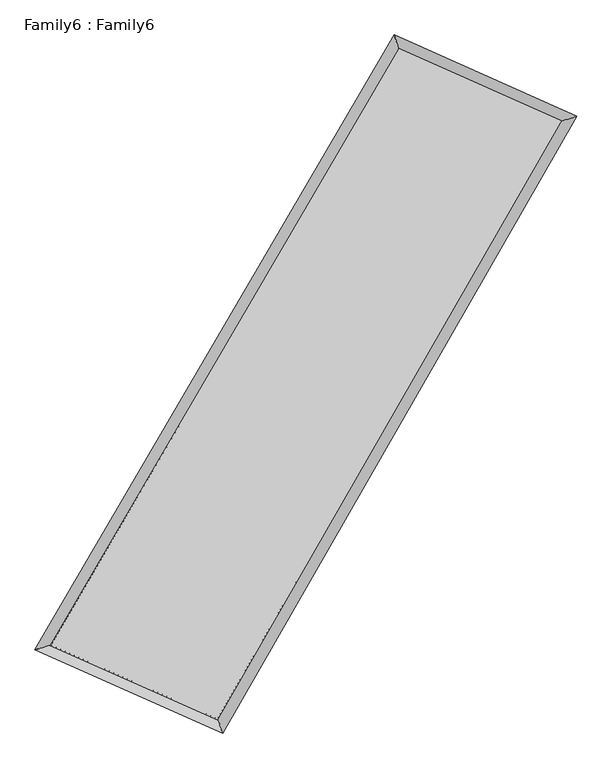
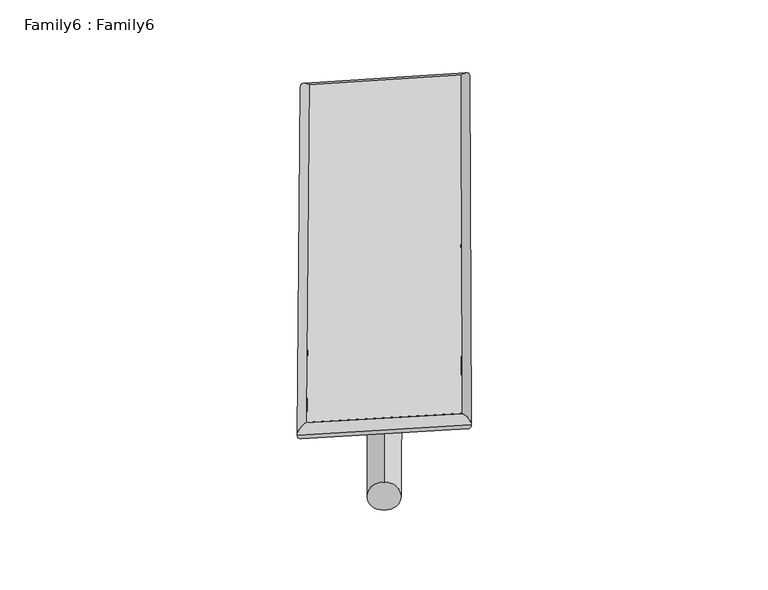
"""IFC4 building model written with IfcOpenShell, lengths in millimetres: plate geometry, Family6 : Family6."""

import ifcopenshell
import ifcopenshell.guid

model = None  # the IFC model being written
_history = None  # IfcOwnerHistory: only IFC2X3 demands one
_inside = {}  # id of a spatial element -> (the spatial element, [elements in it])
_under = {}  # id of a project, library or spatial element -> (it, [spatial elements below it])
_declared = {}  # id of a project -> (the project, [libraries it declares])
_typed = {}  # id of a type object -> (the type object, [elements of that type])
_made_of = {}  # id of a material, layer set ... -> (it, [elements and type objects made of it])


def new_model(schema):
    """Start an empty IFC model of exactly this schema.

    Asked for "IFC4X3", IfcOpenShell would pick the latest addendum, in which some entities
    have other attributes; the version numbers below select the first issue.
    IFC2X3 requires an IfcOwnerHistory on every rooted entity: one is made here for all.
    """
    global model, _history
    if schema == "IFC4X3":
        model = ifcopenshell.file(schema_version=(4, 3, 0, 0))
    else:
        model = ifcopenshell.file(schema=schema)
    _inside.clear()
    _under.clear()
    _declared.clear()
    _typed.clear()
    _made_of.clear()
    _history = None
    if model.schema == "IFC2X3":
        org = make("IfcOrganization", Name="unknown")
        user = make(
            "IfcPersonAndOrganization",
            ThePerson=make("IfcPerson", FamilyName="unknown"),
            TheOrganization=org,
        )
        app = make(
            "IfcApplication",
            ApplicationDeveloper=org,
            Version="unknown",
            ApplicationFullName="unknown",
            ApplicationIdentifier="unknown",
        )
        _history = make(
            "IfcOwnerHistory",
            OwningUser=user,
            OwningApplication=app,
            ChangeAction="ADDED",
            CreationDate=0,
        )
    return model


def make(cls, **values):
    """One entity of the class cls with the attributes given. An attribute that is None is left unset."""
    return model.create_entity(
        cls, **{name: value for name, value in values.items() if value is not None}
    )


def rooted(cls, **values):
    """An entity with a GlobalId (a new one), such as an element, a storey or a relation."""
    return make(cls, GlobalId=ifcopenshell.guid.new(), OwnerHistory=_history, **values)


def si_unit(unit_type, name, prefix=None):
    """IfcSIUnit, for example si_unit("LENGTHUNIT", "METRE", prefix="MILLI")."""
    return make("IfcSIUnit", UnitType=unit_type, Prefix=prefix, Name=name)


def assignment(units):
    """IfcUnitAssignment: the units of a project."""
    return None if units is None else make("IfcUnitAssignment", Units=units)


def point(xyz):
    """IfcCartesianPoint."""
    return None if xyz is None else make("IfcCartesianPoint", Coordinates=xyz)


def direction(xyz):
    """IfcDirection."""
    return None if xyz is None else make("IfcDirection", DirectionRatios=xyz)


def frame(location, z_axis=None, x_axis=None):
    """IfcAxis2Placement3D, a coordinate frame: its origin and axes. An axis left out is left unset."""
    return make(
        "IfcAxis2Placement3D",
        Location=point(location),
        Axis=direction(z_axis),
        RefDirection=direction(x_axis),
    )


def frame_2d(location, x_axis=None):
    """IfcAxis2Placement2D, a coordinate frame in the plane: its origin and x axis."""
    return make(
        "IfcAxis2Placement2D", Location=point(location), RefDirection=direction(x_axis)
    )


def origin():
    """The frame at (0, 0, 0) with its axes left unset."""
    return frame((0.0, 0.0, 0.0))


def origin_2d():
    """The frame at (0, 0) in the plane with its x axis left unset."""
    return frame_2d((0.0, 0.0))


def place(relative_to, where):
    """IfcLocalPlacement: puts the frame where relative to a parent placement (None: the world)."""
    return make(
        "IfcLocalPlacement", PlacementRelTo=relative_to, RelativePlacement=where
    )


def context(
    kind, dimensions, precision=None, world=None, true_north=None, identifier=None
):
    """IfcGeometricRepresentationContext, for example the 3D "Model" context."""
    return make(
        "IfcGeometricRepresentationContext",
        ContextIdentifier=identifier,
        ContextType=kind,
        CoordinateSpaceDimension=dimensions,
        Precision=precision,
        WorldCoordinateSystem=world,
        TrueNorth=true_north,
    )


def project(units=None, contexts=None):
    """IfcProject with its units and contexts."""
    return rooted(
        "IfcProject",
        Name="project",
        RepresentationContexts=contexts,
        UnitsInContext=assignment(units),
    )


def spatial(cls, under=None, at=None, **own):
    """A site, building, storey or space (cls), placed at a placement, below another one or the project."""
    s = rooted(cls, ObjectPlacement=at, **own)
    if under is not None:
        _under.setdefault(under.id(), (under, []))[1].append(s)
    return s


def circle_curve(where, radius):
    """IfcCircle in the frame where."""
    return make("IfcCircle", Position=where, Radius=radius)


def ellipse_curve(where, semi_axis1, semi_axis2):
    """IfcEllipse in the frame where."""
    return make(
        "IfcEllipse", Position=where, SemiAxis1=semi_axis1, SemiAxis2=semi_axis2
    )


def trimmed(basis, trim1, trim2, sense, master):
    """IfcTrimmedCurve: the piece of a basis curve between two trims."""
    return make(
        "IfcTrimmedCurve",
        BasisCurve=basis,
        Trim1=trim1,
        Trim2=trim2,
        SenseAgreement=sense,
        MasterRepresentation=master,
    )


def segment(curve, same_sense, transition):
    """IfcCompositeCurveSegment."""
    return make(
        "IfcCompositeCurveSegment",
        Transition=transition,
        SameSense=same_sense,
        ParentCurve=curve,
    )


def composite_curve(segments, self_intersect=None):
    """IfcCompositeCurve: segments joined end to end."""
    return make("IfcCompositeCurve", Segments=segments, SelfIntersect=self_intersect)


def outline(outer, holes=None, kind="AREA"):
    """IfcArbitraryClosedProfileDef: a profile drawn as a closed curve; with holes, ...WithVoids."""
    if holes is None:
        return make("IfcArbitraryClosedProfileDef", ProfileType=kind, OuterCurve=outer)
    return make(
        "IfcArbitraryProfileDefWithVoids",
        ProfileType=kind,
        OuterCurve=outer,
        InnerCurves=holes,
    )


def extrude(swept, where, along, depth):
    """IfcExtrudedAreaSolid: the profile swept, set in the frame where, extruded along a direction by depth."""
    return make(
        "IfcExtrudedAreaSolid",
        SweptArea=swept,
        Position=where,
        ExtrudedDirection=direction(along),
        Depth=depth,
    )


def shape(context_of_items, identifier, shape_type, items):
    """IfcShapeRepresentation: the items that make up one representation, for example the "Body"."""
    return make(
        "IfcShapeRepresentation",
        ContextOfItems=context_of_items,
        RepresentationIdentifier=identifier,
        RepresentationType=shape_type,
        Items=items,
    )


def source(mapping_origin, context_of_items, identifier, shape_type, items):
    """IfcRepresentationMap: a shape defined once, which mapped items show again and again."""
    return make(
        "IfcRepresentationMap",
        MappingOrigin=mapping_origin,
        MappedRepresentation=shape(context_of_items, identifier, shape_type, items),
    )


def transform(
    local_origin,
    x_axis=None,
    y_axis=None,
    z_axis=None,
    scale=None,
    scale2=None,
    scale3=None,
    uniform=True,
):
    """IfcCartesianTransformationOperator3D, or its non-uniform kind. x_axis, y_axis, z_axis: its Axis1, 2, 3."""
    if uniform:
        return make(
            "IfcCartesianTransformationOperator3D",
            Axis1=direction(x_axis),
            Axis2=direction(y_axis),
            LocalOrigin=point(local_origin),
            Scale=scale,
            Axis3=direction(z_axis),
        )
    return make(
        "IfcCartesianTransformationOperator3DnonUniform",
        Axis1=direction(x_axis),
        Axis2=direction(y_axis),
        LocalOrigin=point(local_origin),
        Scale=scale,
        Axis3=direction(z_axis),
        Scale2=scale2,
        Scale3=scale3,
    )


def mapped(mapping_source, mapping_target):
    """IfcMappedItem: shows the shape of a source again, moved by a transform."""
    return make(
        "IfcMappedItem", MappingSource=mapping_source, MappingTarget=mapping_target
    )


def made_of(thing, what):
    """Note that an element or type object is made of a material, layer set ...; save() writes the relation."""
    if what is not None:
        _made_of.setdefault(what.id(), (what, []))[1].append(thing)
    return thing


def element(
    cls,
    number,
    at=None,
    inside=None,
    cuts=None,
    type_object=None,
    material=None,
    context=None,
    identifier="Body",
    shape_type=None,
    held_by="IfcProductDefinitionShape",
    body=None,
    shapes=None,
    **own,
):
    """One element of the class cls, such as IfcWall. Its Tag is "e" and its number.

    at: its placement. inside: the storey or other place that contains it. cuts: it is an
    opening in that element (IfcRelVoidsElement). A single representation is given by context,
    identifier, shape_type and body (its items); several are given by shapes. held_by: the class
    of the entity that holds the representations. save() writes the other relations.
    """
    e = rooted(cls, Tag="e%d" % number, ObjectPlacement=at, **own)
    if body is not None:
        shapes = [shape(context, identifier, shape_type, body)]
    if shapes is not None:
        e.Representation = make(held_by, Representations=shapes)
    if inside is not None:
        _inside.setdefault(inside.id(), (inside, []))[1].append(e)
    if cuts is not None:
        rooted(
            "IfcRelVoidsElement", RelatingBuildingElement=cuts, RelatedOpeningElement=e
        )
    if type_object is not None:
        _typed.setdefault(type_object.id(), (type_object, []))[1].append(e)
    return made_of(e, material)


def aggregate(whole, parts):
    """IfcRelAggregates: a whole, such as a stair, and the parts it consists of."""
    return rooted("IfcRelAggregates", RelatingObject=whole, RelatedObjects=parts)


def save(model, path):
    """Write the relations noted so far, then the file.

    IfcRelAggregates (storeys below a building ...), IfcRelContainedInSpatialStructure (elements
    in a storey), IfcRelDefinesByType, IfcRelAssociatesMaterial and IfcRelDeclares: one each for
    every whole, place, type object, material and project.
    """
    for whole, parts in _under.values():
        aggregate(whole, parts)
    for where, things in _inside.values():
        rooted(
            "IfcRelContainedInSpatialStructure",
            RelatedElements=things,
            RelatingStructure=where,
        )
    for kind, things in _typed.values():
        rooted("IfcRelDefinesByType", RelatedObjects=things, RelatingType=kind)
    for what, things in _made_of.values():
        rooted("IfcRelAssociatesMaterial", RelatedObjects=things, RelatingMaterial=what)
    for by, libraries in _declared.values():
        rooted("IfcRelDeclares", RelatingContext=by, RelatedDefinitions=libraries)
    model.write(path)


def plane_surface(at):
    """IfcPlane: the flat surface through the origin of the frame at, square to its z axis."""
    return make("IfcPlane", Position=at)


def cylinder_surface(at, radius):
    """IfcCylindricalSurface: all points at the distance radius from the z axis of the frame at."""
    return make("IfcCylindricalSurface", Position=at, Radius=radius)


def spline_surface(u_degree, v_degree, points, u_multiplicities, v_multiplicities, u_knots, v_knots, weights=None):
    """IfcBSplineSurfaceWithKnots; with weights, IfcRationalBSplineSurfaceWithKnots. points: one row for each step in u."""
    own = dict(
        UDegree=u_degree,
        VDegree=v_degree,
        ControlPointsList=[[point(p) for p in row] for row in points],
        SurfaceForm="UNSPECIFIED",
        UClosed=False,
        VClosed=False,
        SelfIntersect=False,
        UMultiplicities=u_multiplicities,
        VMultiplicities=v_multiplicities,
        UKnots=u_knots,
        VKnots=v_knots,
        KnotSpec="UNSPECIFIED",
    )
    if weights is None:
        return make("IfcBSplineSurfaceWithKnots", **own)
    return make("IfcRationalBSplineSurfaceWithKnots", WeightsData=weights, **own)


def advanced_brep(points, edges, surfaces, faces):
    """IfcAdvancedBrep: a solid bounded by faces that lie on surfaces and meet in shared edges.

    An edge is (start, end): straight between two places in points (the first is 0);
    or (start, end, curve); or (start, end, curve, False) where it runs against its curve.
    A face is (place in surfaces, loops), or (place, loops, False) where it looks against
    its surface's normal. A loop lists edges by number (the first is 1), with a minus sign
    where the edge is run from its end to its start. The first loop is the outer one.
    """
    corners = [point(p) for p in points]
    vertices = [make("IfcVertexPoint", VertexGeometry=c) for c in corners]
    made = []
    for start, end, *more in edges:
        made.append(
            make(
                "IfcEdgeCurve",
                EdgeStart=vertices[start],
                EdgeEnd=vertices[end],
                EdgeGeometry=more[0] if more else make("IfcPolyline", Points=[corners[start], corners[end]]),
                SameSense=more[1] if len(more) > 1 else True,
            )
        )
    hull = []
    for where, loops, *sense in faces:
        bounds = []
        for j, loop in enumerate(loops):
            ring = [make("IfcOrientedEdge", EdgeElement=made[abs(k) - 1], Orientation=k > 0) for k in loop]
            bounds.append(
                make(
                    "IfcFaceOuterBound" if j == 0 else "IfcFaceBound",
                    Bound=make("IfcEdgeLoop", EdgeList=ring),
                    Orientation=True,
                )
            )
        hull.append(make("IfcAdvancedFace", Bounds=bounds, FaceSurface=surfaces[where], SameSense=sense[0] if sense else True))
    return make("IfcAdvancedBrep", Outer=make("IfcClosedShell", CfsFaces=hull))


def family6_family6_53d501c7(model_context):
    return source(origin(), model_context, "Body", "SolidModel", [
        extrude(outline(composite_curve([segment(trimmed(circle_curve(origin_2d(), 76.2), [point((-75.4341514, -10.7763074))], [point((75.4341514, 10.7763074))], False, "CARTESIAN"), True, "CONTINUOUS"), segment(trimmed(circle_curve(origin_2d(), 76.2), [point((75.4341514, 10.7763074))], [point((-75.4341514, -10.7763074))], False, "CARTESIAN"), True, "CONTINUOUS")], self_intersect=False)), frame((9144.0, 9144.0, 0.0), z_axis=(0.6721745304027889, 0.6911333617868196, 0.26554863378115773), x_axis=(-0.6822901218442167, 0.7174886402277936, -0.14032191838011607)), (0.0, 0.0, 1.0), 5756.3819207),
        extrude(outline(composite_curve([segment(trimmed(circle_curve(origin_2d(), 76.2), [point((-53.8815367, 53.8815368))], [point((53.8815367, -53.8815368))], False, "CARTESIAN"), True, "CONTINUOUS"), segment(trimmed(circle_curve(origin_2d(), 76.2), [point((53.8815367, -53.8815368))], [point((-53.8815367, 53.8815368))], False, "CARTESIAN"), True, "CONTINUOUS")], self_intersect=False)), frame((9144.0, 9144.0, 0.0), z_axis=(-0.6767790635168891, -0.6869007826403136, 0.26483469182364955), x_axis=(0.6359540630438353, -0.3642773302610338, 0.6803414263117684)), (0.0, 0.0, 1.0), 5772.1792279),
        extrude(outline(composite_curve([segment(trimmed(circle_curve(origin_2d(), 76.2), [point((-53.8815367, -53.8815367))], [point((53.8815367, 53.8815367))], False, "CARTESIAN"), True, "CONTINUOUS"), segment(trimmed(circle_curve(origin_2d(), 76.2), [point((53.8815367, 53.8815367))], [point((-53.8815367, -53.8815367))], False, "CARTESIAN"), True, "CONTINUOUS")], self_intersect=False)), frame((9144.0, 9144.0, 0.0), z_axis=(0.2519477878086819, 0.9273467965203779, 0.2766771244640665), x_axis=(-0.8445281700648413, 0.35029513272563306, -0.4050499845150741)), (0.0, 0.0, 1.0), 5483.5441346),
        extrude(outline(composite_curve([segment(trimmed(circle_curve(origin_2d(), 76.2), [point((-75.4341514, 10.7763074))], [point((75.4341514, -10.7763074))], False, "CARTESIAN"), True, "CONTINUOUS"), segment(trimmed(circle_curve(origin_2d(), 76.2), [point((75.4341514, -10.7763074))], [point((-75.4341514, 10.7763074))], False, "CARTESIAN"), True, "CONTINUOUS")], self_intersect=False)), frame((9144.0, 9144.0, 0.0), z_axis=(-0.24517783294284057, -0.9292209332907813, 0.2764711329735208), x_axis=(0.8866470244366496, -0.09958060675303143, 0.4515980035566295)), (0.0, 0.0, 1.0), 5488.7321021),
        advanced_brep(
        [(5019.9587319, 5108.8392131, 1527.8645252), (5019.9544584, 5108.8336049, 1529.7143093), (5455.0611635, 5249.3319286, 1529.4820887), (10588.301893, 14034.4387366, 1518.3167463), (10462.8317351, 14423.855437, 1516.0256997), (5455.065437, 5249.3375367, 1527.6323047), (12796.9989437, 13051.8515866, 1528.4630708), (13229.587685, 13193.0035905, 1528.7356383), (7734.5278962, 4238.7281403, 1517.665055), (7862.041219, 3848.7823267, 1517.2869107)],
        [
            (0, 1, ellipse_curve(frame((5237.5099477, 5179.0855708, 1528.673307), z_axis=(-0.3072809411500043, 0.9516163574490253, 0.0021751876738648986), x_axis=(-0.9516107677479645, -0.307286947613603, 0.0034173867859064073)), 228.6195478, 152.4)),
            (1, 2, ellipse_curve(frame((5237.5099477, 5179.0855708, 1528.673307), z_axis=(-0.3072809411500043, 0.9516163574490253, 0.0021751876738648986), x_axis=(-0.9516107677479645, -0.307286947613603, 0.0034173867859064073)), 228.6195478, 152.4)),
            (2, 3),
            (3, 4, ellipse_curve(frame((10525.5668141, 14229.1470868, 1517.171223), z_axis=(-0.9518087160453981, -0.30668524531335206, -0.0020804728068270603), x_axis=(0.3066756358614651, -0.9518058133016737, 0.0039683918790444596)), 204.5688962, 152.4)),
            (4, 0),
            (2, 5, ellipse_curve(frame((5237.5099477, 5179.0855708, 1528.673307), z_axis=(-0.3072809411500043, 0.9516163574490253, 0.0021751876738648986), x_axis=(-0.9516107677479645, -0.307286947613603, 0.0034173867859064073)), 228.6195478, 152.4)),
            (5, 0, ellipse_curve(frame((5237.5099477, 5179.0855708, 1528.673307), z_axis=(-0.3072809411500043, 0.9516163574490253, 0.0021751876738648986), x_axis=(-0.9516107677479645, -0.307286947613603, 0.0034173867859064073)), 228.6195478, 152.4)),
            (4, 3, ellipse_curve(frame((10525.5668141, 14229.1470868, 1517.171223), z_axis=(-0.9518087160453981, -0.30668524531335206, -0.0020804728068270603), x_axis=(0.3066756358614651, -0.9518058133016737, 0.0039683918790444596)), 204.5688962, 152.4)),
            (3, 6),
            (6, 7, ellipse_curve(frame((13013.2933143, 13122.4275886, 1528.5993546), z_axis=(-0.31019809897335215, 0.9506690612644075, -0.002339946146516477), x_axis=(-0.9506631304171115, -0.31020488134185925, -0.0035417590574413813)), 227.5187821, 152.4)),
            (7, 4),
            (7, 6, ellipse_curve(frame((13013.2933143, 13122.4275886, 1528.5993546), z_axis=(-0.31019809897335215, 0.9506690612644075, -0.002339946146516477), x_axis=(-0.9506631304171115, -0.31020488134185925, -0.0035417590574413813)), 227.5187821, 152.4)),
            (6, 8),
            (8, 9, ellipse_curve(frame((7798.2845576, 4043.7552335, 1517.4759828), z_axis=(0.9504705583429112, 0.3108083270549253, -0.0019752358424821857), x_axis=(-0.3107996177621631, 0.9504679441776087, 0.003779509185546641)), 205.1332761, 152.4)),
            (9, 7),
            (9, 8, ellipse_curve(frame((7798.2845576, 4043.7552335, 1517.4759828), z_axis=(0.9504705583429112, 0.3108083270549253, -0.0019752358424821857), x_axis=(-0.3107996177621631, 0.9504679441776087, 0.003779509185546641)), 205.1332761, 152.4)),
            (8, 5),
            (1, 9),
        ],
        [
            cylinder_surface(frame((5237.5099477, 5179.0855708, 1528.673307), z_axis=(-0.5045008570423359, -0.8634104939611829, 0.0010973428154843318), x_axis=(-0.8633962002352574, 0.5044842007862893, -0.006533955642505136)), 152.4),
            cylinder_surface(frame((10525.5668141, 14229.1470868, 1517.171223), z_axis=(-0.913658511546021, 0.4064609551336731, -0.004197169442785761), x_axis=(0.40647607706179656, 0.9136536949442905, -0.0037582563906251388)), 152.4),
            cylinder_surface(frame((13013.2933143, 13122.4275886, 1528.5993546), z_axis=(0.4980955426657209, 0.8671215033959113, 0.00106241468160349), x_axis=(0.8671221079226942, -0.4980955426657209, -0.0002834223784616299)), 152.4),
            cylinder_surface(frame((7798.2845576, 4043.7552335, 1517.4759828), z_axis=(0.914173747006091, -0.4053028269297848, -0.003997345064991756), x_axis=(-0.405296308129405, -0.91418232803288, 0.002360874638378479)), 152.4),
        ],
        [
            (0, [[1, 2, 3, 4, 5]]),
            (0, [[6, 7, -5, 8, -3]]),
            (1, [[-4, 9, 10, 11]]),
            (1, [[-8, -11, 12, -9]]),
            (2, [[-10, 13, 14, 15]]),
            (2, [[-12, -15, 16, -13]]),
            (3, [[-14, 17, -6, -2, 18]]),
            (3, [[-16, -18, -1, -7, -17]]),
        ],
    ),
        extrude(outline(composite_curve([segment(trimmed(circle_curve(origin_2d(), 304.8), [point((1e-07, -304.8))], [point((1e-07, 304.8))], False, "CARTESIAN"), True, "CONTINUOUS"), segment(trimmed(circle_curve(origin_2d(), 304.8), [point((1e-07, 304.8))], [point((1e-07, -304.8))], False, "CARTESIAN"), True, "CONTINUOUS")], self_intersect=False)), frame((6502.2763119, 4591.2573741, -0.0012974), z_axis=(0.5018791426103316, 0.8649377585772619, 2.464894400501958e-07), x_axis=(-0.8649377585772944, 0.5018791426103316, 6.633353218676223e-08)), (0.0, 0.0, 1.0), 10527.3300436),
        advanced_brep(
        [(5237.5099477, 5179.0855708, 1528.673307), (7798.2845576, 4043.7552335, 1517.4759828), (7798.2878216, 4043.7565581, 1669.8759828), (5237.5132117, 5179.0868954, 1681.0733069), (13013.2933143, 13122.4275886, 1528.5993546), (13013.2965784, 13122.4289131, 1680.9993545), (10525.5668141, 14229.1470868, 1517.171223), (10525.5700781, 14229.1484113, 1669.571223)],
        [
            (0, 1),
            (1, 2),
            (2, 3),
            (3, 0),
            (1, 4),
            (4, 5),
            (5, 2),
            (4, 6),
            (6, 7),
            (7, 5),
            (6, 0),
            (3, 7),
        ],
        [
            plane_surface(frame((6517.8972527, 4611.4204022, 1523.0746449), z_axis=(-0.40530600427487823, -0.9141810775892827, 1.662619065316822e-05), x_axis=(0.9141737470060909, -0.4053028269297848, -0.003997345064991754))),
            plane_surface(frame((10405.788936, 8583.091411, 1523.0376687), z_axis=(0.8671220002160931, -0.4980958106011284, -1.4242428236202768e-05), x_axis=(0.49809554266572104, 0.8671215033959112, 0.0010624146816034916))),
            plane_surface(frame((11769.4300642, 13675.7873377, 1522.8852888), z_axis=(0.4064645991166721, 0.9136665307363601, -1.6646532714629722e-05), x_axis=(-0.9136585115460211, 0.40646095513367303, -0.004197169442785761))),
            plane_surface(frame((7881.5383809, 9704.1163288, 1522.922265), z_axis=(-0.8634110059085239, 0.504501174108659, 1.410727617081665e-05), x_axis=(-0.504500857042336, -0.8634104939611827, 0.0010973428154843312))),
            spline_surface(1, 1, [[(7798.2878216, 4043.7565581, 1669.8759828), (5237.5132117, 5179.0868954, 1681.0733069)], [(13013.2965784, 13122.4289131, 1680.9993545), (10525.5700781, 14229.1484113, 1669.571223)]], [2, 2], [2, 2], [0.0, 1.0], [0.0, 1.0]),
            spline_surface(1, 1, [[(10525.5668141, 14229.1470868, 1517.171223), (5237.5099477, 5179.0855708, 1528.673307)], [(13013.2933143, 13122.4275886, 1528.5993546), (7798.2845576, 4043.7552335, 1517.4759828)]], [2, 2], [2, 2], [0.0, 1.0], [0.0, 1.0]),
        ],
        [
            (0, [[1, 2, 3, 4]]),
            (1, [[5, 6, 7, -2]]),
            (2, [[8, 9, 10, -6]]),
            (3, [[11, -4, 12, -9]]),
            (4, [[-3, -7, -10, -12]]),
            (5, [[-11, -8, -5, -1]]),
        ],
    ),
    ])


if __name__ == "__main__":
    model = new_model("IFC4")
    model_context = context("Model", 3, world=origin())
    ifc_project = project(units=[si_unit("LENGTHUNIT", "METRE", prefix="MILLI")], contexts=[model_context])
    site = spatial("IfcSite", under=ifc_project)
    building = spatial("IfcBuilding", under=site)
    placement = place(None, origin())
    family6_family6_shape = family6_family6_53d501c7(model_context)
    element("IfcPlate", 1, ObjectType="Family6 : Family6", at=placement, inside=building, context=model_context, shape_type="MappedRepresentation", body=[
        mapped(family6_family6_shape, transform((0.0, 0.0, 0.0), x_axis=(1.0, 0.0, 0.0), y_axis=(0.0, 1.0, 0.0), z_axis=(0.0, 0.0, 1.0))),
    ])
    save(model, "model.ifc")
